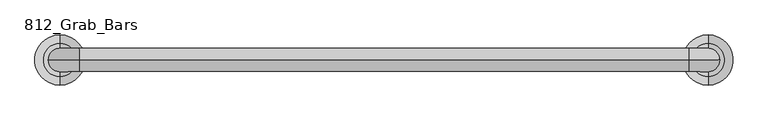
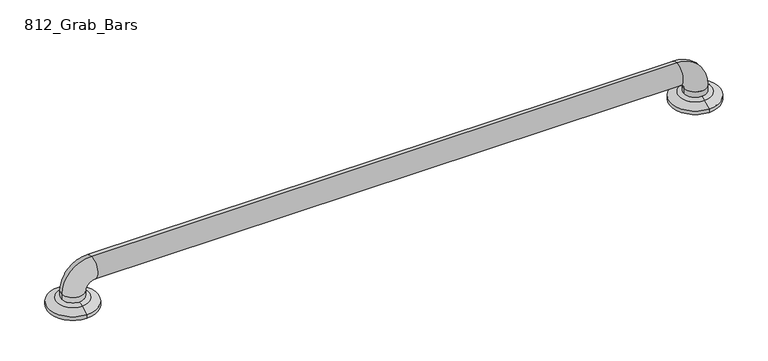
"""IFC4 building model written with IfcOpenShell, lengths in millimetres: proxy geometry, 812_Grab_Bars."""

import ifcopenshell
import ifcopenshell.guid

model = None  # the IFC model being written
_history = None  # IfcOwnerHistory: only IFC2X3 demands one
_inside = {}  # id of a spatial element -> (the spatial element, [elements in it])
_under = {}  # id of a project, library or spatial element -> (it, [spatial elements below it])
_declared = {}  # id of a project -> (the project, [libraries it declares])
_typed = {}  # id of a type object -> (the type object, [elements of that type])
_made_of = {}  # id of a material, layer set ... -> (it, [elements and type objects made of it])


def new_model(schema):
    """Start an empty IFC model of exactly this schema.

    Asked for "IFC4X3", IfcOpenShell would pick the latest addendum, in which some entities
    have other attributes; the version numbers below select the first issue.
    IFC2X3 requires an IfcOwnerHistory on every rooted entity: one is made here for all.
    """
    global model, _history
    if schema == "IFC4X3":
        model = ifcopenshell.file(schema_version=(4, 3, 0, 0))
    else:
        model = ifcopenshell.file(schema=schema)
    _inside.clear()
    _under.clear()
    _declared.clear()
    _typed.clear()
    _made_of.clear()
    _history = None
    if model.schema == "IFC2X3":
        org = make("IfcOrganization", Name="unknown")
        user = make(
            "IfcPersonAndOrganization",
            ThePerson=make("IfcPerson", FamilyName="unknown"),
            TheOrganization=org,
        )
        app = make(
            "IfcApplication",
            ApplicationDeveloper=org,
            Version="unknown",
            ApplicationFullName="unknown",
            ApplicationIdentifier="unknown",
        )
        _history = make(
            "IfcOwnerHistory",
            OwningUser=user,
            OwningApplication=app,
            ChangeAction="ADDED",
            CreationDate=0,
        )
    return model


def make(cls, **values):
    """One entity of the class cls with the attributes given. An attribute that is None is left unset."""
    return model.create_entity(
        cls, **{name: value for name, value in values.items() if value is not None}
    )


def rooted(cls, **values):
    """An entity with a GlobalId (a new one), such as an element, a storey or a relation."""
    return make(cls, GlobalId=ifcopenshell.guid.new(), OwnerHistory=_history, **values)


def si_unit(unit_type, name, prefix=None):
    """IfcSIUnit, for example si_unit("LENGTHUNIT", "METRE", prefix="MILLI")."""
    return make("IfcSIUnit", UnitType=unit_type, Prefix=prefix, Name=name)


def assignment(units):
    """IfcUnitAssignment: the units of a project."""
    return None if units is None else make("IfcUnitAssignment", Units=units)


def point(xyz):
    """IfcCartesianPoint."""
    return None if xyz is None else make("IfcCartesianPoint", Coordinates=xyz)


def direction(xyz):
    """IfcDirection."""
    return None if xyz is None else make("IfcDirection", DirectionRatios=xyz)


def frame(location, z_axis=None, x_axis=None):
    """IfcAxis2Placement3D, a coordinate frame: its origin and axes. An axis left out is left unset."""
    return make(
        "IfcAxis2Placement3D",
        Location=point(location),
        Axis=direction(z_axis),
        RefDirection=direction(x_axis),
    )


def origin():
    """The frame at (0, 0, 0) with its axes left unset."""
    return frame((0.0, 0.0, 0.0))


def place(relative_to, where):
    """IfcLocalPlacement: puts the frame where relative to a parent placement (None: the world)."""
    return make(
        "IfcLocalPlacement", PlacementRelTo=relative_to, RelativePlacement=where
    )


def context(
    kind, dimensions, precision=None, world=None, true_north=None, identifier=None
):
    """IfcGeometricRepresentationContext, for example the 3D "Model" context."""
    return make(
        "IfcGeometricRepresentationContext",
        ContextIdentifier=identifier,
        ContextType=kind,
        CoordinateSpaceDimension=dimensions,
        Precision=precision,
        WorldCoordinateSystem=world,
        TrueNorth=true_north,
    )


def project(units=None, contexts=None):
    """IfcProject with its units and contexts."""
    return rooted(
        "IfcProject",
        Name="project",
        RepresentationContexts=contexts,
        UnitsInContext=assignment(units),
    )


def spatial(cls, under=None, at=None, **own):
    """A site, building, storey or space (cls), placed at a placement, below another one or the project."""
    s = rooted(cls, ObjectPlacement=at, **own)
    if under is not None:
        _under.setdefault(under.id(), (under, []))[1].append(s)
    return s


def polyline(points):
    """IfcPolyline through the points."""
    return make("IfcPolyline", Points=[point(p) for p in points])


def circle_curve(where, radius):
    """IfcCircle in the frame where."""
    return make("IfcCircle", Position=where, Radius=radius)


def ellipse_curve(where, semi_axis1, semi_axis2):
    """IfcEllipse in the frame where."""
    return make(
        "IfcEllipse", Position=where, SemiAxis1=semi_axis1, SemiAxis2=semi_axis2
    )


def trimmed(basis, trim1, trim2, sense, master):
    """IfcTrimmedCurve: the piece of a basis curve between two trims."""
    return make(
        "IfcTrimmedCurve",
        BasisCurve=basis,
        Trim1=trim1,
        Trim2=trim2,
        SenseAgreement=sense,
        MasterRepresentation=master,
    )


def shape(context_of_items, identifier, shape_type, items):
    """IfcShapeRepresentation: the items that make up one representation, for example the "Body"."""
    return make(
        "IfcShapeRepresentation",
        ContextOfItems=context_of_items,
        RepresentationIdentifier=identifier,
        RepresentationType=shape_type,
        Items=items,
    )


def source(mapping_origin, context_of_items, identifier, shape_type, items):
    """IfcRepresentationMap: a shape defined once, which mapped items show again and again."""
    return make(
        "IfcRepresentationMap",
        MappingOrigin=mapping_origin,
        MappedRepresentation=shape(context_of_items, identifier, shape_type, items),
    )


def transform(
    local_origin,
    x_axis=None,
    y_axis=None,
    z_axis=None,
    scale=None,
    scale2=None,
    scale3=None,
    uniform=True,
):
    """IfcCartesianTransformationOperator3D, or its non-uniform kind. x_axis, y_axis, z_axis: its Axis1, 2, 3."""
    if uniform:
        return make(
            "IfcCartesianTransformationOperator3D",
            Axis1=direction(x_axis),
            Axis2=direction(y_axis),
            LocalOrigin=point(local_origin),
            Scale=scale,
            Axis3=direction(z_axis),
        )
    return make(
        "IfcCartesianTransformationOperator3DnonUniform",
        Axis1=direction(x_axis),
        Axis2=direction(y_axis),
        LocalOrigin=point(local_origin),
        Scale=scale,
        Axis3=direction(z_axis),
        Scale2=scale2,
        Scale3=scale3,
    )


def mapped(mapping_source, mapping_target):
    """IfcMappedItem: shows the shape of a source again, moved by a transform."""
    return make(
        "IfcMappedItem", MappingSource=mapping_source, MappingTarget=mapping_target
    )


def made_of(thing, what):
    """Note that an element or type object is made of a material, layer set ...; save() writes the relation."""
    if what is not None:
        _made_of.setdefault(what.id(), (what, []))[1].append(thing)
    return thing


def element(
    cls,
    number,
    at=None,
    inside=None,
    cuts=None,
    type_object=None,
    material=None,
    context=None,
    identifier="Body",
    shape_type=None,
    held_by="IfcProductDefinitionShape",
    body=None,
    shapes=None,
    **own,
):
    """One element of the class cls, such as IfcWall. Its Tag is "e" and its number.

    at: its placement. inside: the storey or other place that contains it. cuts: it is an
    opening in that element (IfcRelVoidsElement). A single representation is given by context,
    identifier, shape_type and body (its items); several are given by shapes. held_by: the class
    of the entity that holds the representations. save() writes the other relations.
    """
    e = rooted(cls, Tag="e%d" % number, ObjectPlacement=at, **own)
    if body is not None:
        shapes = [shape(context, identifier, shape_type, body)]
    if shapes is not None:
        e.Representation = make(held_by, Representations=shapes)
    if inside is not None:
        _inside.setdefault(inside.id(), (inside, []))[1].append(e)
    if cuts is not None:
        rooted(
            "IfcRelVoidsElement", RelatingBuildingElement=cuts, RelatedOpeningElement=e
        )
    if type_object is not None:
        _typed.setdefault(type_object.id(), (type_object, []))[1].append(e)
    return made_of(e, material)


def aggregate(whole, parts):
    """IfcRelAggregates: a whole, such as a stair, and the parts it consists of."""
    return rooted("IfcRelAggregates", RelatingObject=whole, RelatedObjects=parts)


def save(model, path):
    """Write the relations noted so far, then the file.

    IfcRelAggregates (storeys below a building ...), IfcRelContainedInSpatialStructure (elements
    in a storey), IfcRelDefinesByType, IfcRelAssociatesMaterial and IfcRelDeclares: one each for
    every whole, place, type object, material and project.
    """
    for whole, parts in _under.values():
        aggregate(whole, parts)
    for where, things in _inside.values():
        rooted(
            "IfcRelContainedInSpatialStructure",
            RelatedElements=things,
            RelatingStructure=where,
        )
    for kind, things in _typed.values():
        rooted("IfcRelDefinesByType", RelatedObjects=things, RelatingType=kind)
    for what, things in _made_of.values():
        rooted("IfcRelAssociatesMaterial", RelatedObjects=things, RelatingMaterial=what)
    for by, libraries in _declared.values():
        rooted("IfcRelDeclares", RelatingContext=by, RelatedDefinitions=libraries)
    model.write(path)


def plane_surface(at):
    """IfcPlane: the flat surface through the origin of the frame at, square to its z axis."""
    return make("IfcPlane", Position=at)


def cylinder_surface(at, radius):
    """IfcCylindricalSurface: all points at the distance radius from the z axis of the frame at."""
    return make("IfcCylindricalSurface", Position=at, Radius=radius)


def revolved_surface(curve, axis_point, axis_direction):
    """IfcSurfaceOfRevolution: the curve turned about the line through axis_point along axis_direction."""
    return make(
        "IfcSurfaceOfRevolution",
        SweptCurve=make("IfcArbitraryOpenProfileDef", ProfileType="CURVE", Curve=curve),
        AxisPosition=make("IfcAxis1Placement", Location=point(axis_point), Axis=direction(axis_direction)),
    )


def advanced_brep(points, edges, surfaces, faces):
    """IfcAdvancedBrep: a solid bounded by faces that lie on surfaces and meet in shared edges.

    An edge is (start, end): straight between two places in points (the first is 0);
    or (start, end, curve); or (start, end, curve, False) where it runs against its curve.
    A face is (place in surfaces, loops), or (place, loops, False) where it looks against
    its surface's normal. A loop lists edges by number (the first is 1), with a minus sign
    where the edge is run from its end to its start. The first loop is the outer one.
    """
    corners = [point(p) for p in points]
    vertices = [make("IfcVertexPoint", VertexGeometry=c) for c in corners]
    made = []
    for start, end, *more in edges:
        made.append(
            make(
                "IfcEdgeCurve",
                EdgeStart=vertices[start],
                EdgeEnd=vertices[end],
                EdgeGeometry=more[0] if more else make("IfcPolyline", Points=[corners[start], corners[end]]),
                SameSense=more[1] if len(more) > 1 else True,
            )
        )
    hull = []
    for where, loops, *sense in faces:
        bounds = []
        for j, loop in enumerate(loops):
            ring = [make("IfcOrientedEdge", EdgeElement=made[abs(k) - 1], Orientation=k > 0) for k in loop]
            bounds.append(
                make(
                    "IfcFaceOuterBound" if j == 0 else "IfcFaceBound",
                    Bound=make("IfcEdgeLoop", EdgeList=ring),
                    Orientation=True,
                )
            )
        hull.append(make("IfcAdvancedFace", Bounds=bounds, FaceSurface=surfaces[where], SameSense=sense[0] if sense else True))
    return make("IfcAdvancedBrep", Outer=make("IfcClosedShell", CfsFaces=hull))


def proxy_812_grab_bars_cd5c3015(model_context):
    return source(origin(), model_context, "Body", "AdvancedBrep", [
        advanced_brep(
        [(-477.8375, -564.1630987, 13.1934507), (-477.8375, -508.9869013, 13.1934507), (-477.8375, -495.3, 6.35), (-477.8375, -577.85, 6.35), (-477.8375, -555.625, 15.7178454), (-496.8875, -536.575, 15.7178454), (-477.8375, -517.525, 15.7178454), (-458.7875, -536.575, 15.7178454), (-477.8375, -577.85, 0.0), (-477.8375, -495.3, 0.0), (-477.8375, -517.525, 0.0), (-477.8375, -536.575, 0.0), (-477.8375, -555.625, 0.0), (-496.8875, -536.575, 25.4), (-458.7875, -536.575, 25.4), (-446.0875, -536.575, 76.2), (-446.0875, -536.575, 38.1), (557.2125, -536.575, 76.2), (557.2125, -536.575, 38.1), (608.0125, -536.575, 25.4), (569.9125, -536.575, 25.4), (588.9625, -577.85, 0.0), (588.9625, -495.3, 0.0), (608.0125, -536.575, 15.7178454), (588.9625, -517.525, 15.7178454), (569.9125, -536.575, 15.7178454), (588.9625, -555.625, 15.7178454), (588.9625, -564.1630987, 13.1934507), (588.9625, -508.9869013, 13.1934507), (588.9625, -495.3, 6.35), (588.9625, -577.85, 6.35)],
        [
            (0, 1, circle_curve(frame((-477.8375, -536.575, 13.1934507), z_axis=(0.0, 0.0, -1.0), x_axis=(0.0, 1.0, 0.0)), 27.5880987)),
            (1, 2),
            (2, 3, circle_curve(frame((-477.8375, -536.575, 6.35), z_axis=(0.0, 0.0, 1.0), x_axis=(0.0, 1.0, 0.0)), 41.275)),
            (3, 0),
            (1, 0, circle_curve(frame((-477.8375, -536.575, 13.1934507), z_axis=(0.0, 0.0, -1.0), x_axis=(0.0, 1.0, 0.0)), 27.5880987)),
            (3, 2, circle_curve(frame((-477.8375, -536.575, 6.35), z_axis=(0.0, 0.0, 1.0), x_axis=(0.0, 1.0, 0.0)), 41.275)),
            (0, 4, circle_curve(frame((-477.8375, -552.8038734, -9.525), z_axis=(-1.0, 0.0, 0.0), x_axis=(0.0, 0.0, -1.0)), 25.4)),
            (4, 5, circle_curve(frame((-477.8375, -536.575, 15.7178454), z_axis=(0.0, 0.0, -1.0), x_axis=(0.0, 1.0, 0.0)), 19.05)),
            (5, 6, circle_curve(frame((-477.8375, -536.575, 15.7178454), z_axis=(0.0, 0.0, -1.0), x_axis=(0.0, 1.0, 0.0)), 19.05)),
            (6, 1, circle_curve(frame((-477.8375, -520.3461266, -9.525), z_axis=(-1.0, 0.0, 0.0), x_axis=(0.0, 0.0, -1.0)), 25.4)),
            (6, 7, circle_curve(frame((-477.8375, -536.575, 15.7178454), z_axis=(0.0, 0.0, -1.0), x_axis=(0.0, 1.0, 0.0)), 19.05)),
            (7, 4, circle_curve(frame((-477.8375, -536.575, 15.7178454), z_axis=(0.0, 0.0, -1.0), x_axis=(0.0, 1.0, 0.0)), 19.05)),
            (8, 9, circle_curve(frame((-477.8375, -536.575, 0.0), z_axis=(0.0, 0.0, -1.0), x_axis=(0.0, 1.0, 0.0)), 41.275)),
            (9, 10),
            (10, 11),
            (11, 12),
            (12, 8),
            (9, 8, circle_curve(frame((-477.8375, -536.575, 0.0), z_axis=(0.0, 0.0, -1.0), x_axis=(0.0, 1.0, 0.0)), 41.275)),
            (2, 9),
            (8, 3),
            (13, 14, circle_curve(frame((-477.8375, -536.575, 25.4), z_axis=(0.0, 0.0, -1.0), x_axis=(1.0, 0.0, 0.0)), 19.05)),
            (14, 7),
            (5, 13),
            (14, 13, circle_curve(frame((-477.8375, -536.575, 25.4), z_axis=(0.0, 0.0, -1.0), x_axis=(1.0, 0.0, 0.0)), 19.05)),
            (13, 15, circle_curve(frame((-446.0875, -536.575, 25.4), z_axis=(0.0, 1.0, 0.0), x_axis=(-1.0, 0.0, 0.0)), 50.8)),
            (15, 16, circle_curve(frame((-446.0875, -536.575, 57.15), z_axis=(-1.0, 0.0, 0.0), x_axis=(0.0, 0.0, -1.0)), 19.05)),
            (16, 14, circle_curve(frame((-446.0875, -536.575, 25.4), z_axis=(0.0, -1.0, 0.0), x_axis=(-1.0, 0.0, 0.0)), 12.7)),
            (16, 15, circle_curve(frame((-446.0875, -536.575, 57.15), z_axis=(-1.0, 0.0, 0.0), x_axis=(0.0, 0.0, -1.0)), 19.05)),
            (15, 17),
            (17, 18, circle_curve(frame((557.2125, -536.575, 57.15), z_axis=(-1.0, 0.0, 0.0), x_axis=(0.0, 0.0, -1.0)), 19.05)),
            (18, 16),
            (18, 17, circle_curve(frame((557.2125, -536.575, 57.15), z_axis=(-1.0, 0.0, 0.0), x_axis=(0.0, 0.0, -1.0)), 19.05)),
            (17, 19, circle_curve(frame((557.2125, -536.575, 25.4), z_axis=(0.0, 1.0, 0.0), x_axis=(0.0, 0.0, 1.0)), 50.8)),
            (19, 20, circle_curve(frame((588.9625, -536.575, 25.4), z_axis=(0.0, 0.0, 1.0), x_axis=(-1.0, 0.0, 0.0)), 19.05)),
            (20, 18, circle_curve(frame((557.2125, -536.575, 25.4), z_axis=(0.0, -1.0, 0.0), x_axis=(0.0, 0.0, 1.0)), 12.7)),
            (20, 19, circle_curve(frame((588.9625, -536.575, 25.4), z_axis=(0.0, 0.0, 1.0), x_axis=(-1.0, 0.0, 0.0)), 19.05)),
            (21, 22, circle_curve(frame((588.9625, -536.575, 0.0), z_axis=(0.0, 0.0, -1.0), x_axis=(0.0, 1.0, 0.0)), 41.275)),
            (22, 21, circle_curve(frame((588.9625, -536.575, 0.0), z_axis=(0.0, 0.0, -1.0), x_axis=(0.0, 1.0, 0.0)), 41.275)),
            (19, 23),
            (23, 24, circle_curve(frame((588.9625, -536.575, 15.7178454), z_axis=(0.0, 0.0, 1.0), x_axis=(-1.0, 0.0, 0.0)), 19.05)),
            (24, 25, circle_curve(frame((588.9625, -536.575, 15.7178454), z_axis=(0.0, 0.0, 1.0), x_axis=(-1.0, 0.0, 0.0)), 19.05)),
            (25, 20),
            (25, 26, circle_curve(frame((588.9625, -536.575, 15.7178454), z_axis=(0.0, 0.0, 1.0), x_axis=(-1.0, 0.0, 0.0)), 19.05)),
            (26, 23, circle_curve(frame((588.9625, -536.575, 15.7178454), z_axis=(0.0, 0.0, 1.0), x_axis=(-1.0, 0.0, 0.0)), 19.05)),
            (27, 28, circle_curve(frame((588.9625, -536.575, 13.1934507), z_axis=(0.0, 0.0, -1.0), x_axis=(0.0, 1.0, 0.0)), 27.5880987)),
            (28, 29),
            (29, 30, circle_curve(frame((588.9625, -536.575, 6.35), z_axis=(0.0, 0.0, 1.0), x_axis=(0.0, 1.0, 0.0)), 41.275)),
            (30, 27),
            (28, 27, circle_curve(frame((588.9625, -536.575, 13.1934507), z_axis=(0.0, 0.0, -1.0), x_axis=(0.0, 1.0, 0.0)), 27.5880987)),
            (30, 29, circle_curve(frame((588.9625, -536.575, 6.35), z_axis=(0.0, 0.0, 1.0), x_axis=(0.0, 1.0, 0.0)), 41.275)),
            (27, 26, circle_curve(frame((588.9625, -552.8038734, -9.525), z_axis=(-1.0, 0.0, 0.0), x_axis=(0.0, 0.0, -1.0)), 25.4)),
            (24, 28, circle_curve(frame((588.9625, -520.3461266, -9.525), z_axis=(-1.0, 0.0, 0.0), x_axis=(0.0, 0.0, -1.0)), 25.4)),
            (29, 22),
            (21, 30),
        ],
        [
            revolved_surface(polyline([(-477.8375, -495.3, 6.35), (-477.8375, -508.9869013, 13.1934507)]), (-477.8375, -536.575, 31.75), (0.0, 0.0, 1.0)),
            revolved_surface(trimmed(ellipse_curve(frame((-477.8375, -520.3461266, -9.525), z_axis=(1.0, 0.0, 0.0), x_axis=(0.0, 0.0, -1.0)), 25.4, 25.4), [point((-477.8375, -508.9869013, 13.1934507))], [point((-477.8375, -520.3461266, 15.875))], True, "CARTESIAN"), (-477.8375, -536.575, 31.75), (0.0, 0.0, 1.0)),
            plane_surface(frame((-477.8375, -536.575, 0.0), z_axis=(0.0, 0.0, -1.0), x_axis=(0.0, 1.0, 0.0))),
            cylinder_surface(frame((-477.8375, -536.575, 31.75), z_axis=(0.0, 0.0, 1.0), x_axis=(0.0, 1.0, 0.0)), 41.275),
            cylinder_surface(frame((-477.8375, -536.575, 0.0), z_axis=(0.0, 0.0, -1.0), x_axis=(1.0, 0.0, 0.0)), 19.05),
            revolved_surface(trimmed(ellipse_curve(frame((-477.8375, -536.575, 25.4), z_axis=(0.0, 0.0, -1.0), x_axis=(1.0, 0.0, 0.0)), 19.05, 19.05), [point((-496.8875, -536.575, 25.4))], [point((-458.7875, -536.575, 25.4))], True, "CARTESIAN"), (-446.0875, -536.575, 25.4), (0.0, 1.0, 0.0)),
            revolved_surface(trimmed(ellipse_curve(frame((-477.8375, -536.575, 25.4), z_axis=(0.0, 0.0, -1.0), x_axis=(1.0, 0.0, 0.0)), 19.05, 19.05), [point((-458.7875, -536.575, 25.4))], [point((-496.8875, -536.575, 25.4))], True, "CARTESIAN"), (-446.0875, -536.575, 25.4), (0.0, 1.0, 0.0)),
            cylinder_surface(frame((-446.0875, -536.575, 57.15), z_axis=(-1.0, 0.0, 0.0), x_axis=(0.0, 0.0, -1.0)), 19.05),
            revolved_surface(trimmed(ellipse_curve(frame((557.2125, -536.575, 57.15), z_axis=(-1.0, 0.0, 0.0), x_axis=(0.0, 0.0, -1.0)), 19.05, 19.05), [point((557.2125, -536.575, 76.2))], [point((557.2125, -536.575, 38.1))], True, "CARTESIAN"), (557.2125, -536.575, 25.4), (0.0, 1.0, 0.0)),
            revolved_surface(trimmed(ellipse_curve(frame((557.2125, -536.575, 57.15), z_axis=(-1.0, 0.0, 0.0), x_axis=(0.0, 0.0, -1.0)), 19.05, 19.05), [point((557.2125, -536.575, 38.1))], [point((557.2125, -536.575, 76.2))], True, "CARTESIAN"), (557.2125, -536.575, 25.4), (0.0, 1.0, 0.0)),
            plane_surface(frame((588.9625, -536.575, 0.0), z_axis=(0.0, 0.0, -1.0), x_axis=(0.0, 1.0, 0.0))),
            cylinder_surface(frame((588.9625, -536.575, 25.4), z_axis=(0.0, 0.0, 1.0), x_axis=(-1.0, 0.0, 0.0)), 19.05),
            revolved_surface(polyline([(588.9625, -495.3, 6.35), (588.9625, -508.9869013, 13.1934507)]), (588.9625, -536.575, -29.0642853), (0.0, 0.0, 1.0)),
            revolved_surface(trimmed(ellipse_curve(frame((588.9625, -520.3461266, -9.525), z_axis=(1.0, 0.0, 0.0), x_axis=(0.0, 0.0, -1.0)), 25.4, 25.4), [point((588.9625, -508.9869013, 13.1934507))], [point((588.9625, -520.3461266, 15.875))], True, "CARTESIAN"), (588.9625, -536.575, -29.0642853), (0.0, 0.0, 1.0)),
            cylinder_surface(frame((588.9625, -536.575, -29.0642853), z_axis=(0.0, 0.0, 1.0), x_axis=(0.0, 1.0, 0.0)), 41.275),
        ],
        [
            (0, [[1, 2, 3, 4]]),
            (0, [[-2, 5, -4, 6]]),
            (1, [[-1, 7, 8, 9, 10]]),
            (1, [[-5, -10, 11, 12, -7]]),
            (2, [[13, 14, 15, 16, 17]]),
            (2, [[18, -17, -16, -15, -14]]),
            (3, [[-3, 19, -13, 20]]),
            (3, [[-6, -20, -18, -19]]),
            (4, [[21, 22, -11, -9, 23]]),
            (4, [[24, -23, -8, -12, -22]]),
            (5, [[-21, 25, 26, 27]]),
            (6, [[-24, -27, 28, -25]]),
            (7, [[-26, 29, 30, 31]]),
            (7, [[-28, -31, 32, -29]]),
            (8, [[-30, 33, 34, 35]]),
            (9, [[-32, -35, 36, -33]]),
            (10, [[37, 38]]),
            (11, [[-34, 39, 40, 41, 42]]),
            (11, [[-36, -42, 43, 44, -39]]),
            (12, [[45, 46, 47, 48]]),
            (12, [[-46, 49, -48, 50]]),
            (13, [[-45, 51, -43, -41, 52]]),
            (13, [[-49, -52, -40, -44, -51]]),
            (14, [[-47, 53, -37, 54]]),
            (14, [[-50, -54, -38, -53]]),
        ],
    ),
    ])


if __name__ == "__main__":
    model = new_model("IFC4")
    model_context = context("Model", 3, world=origin())
    ifc_project = project(units=[si_unit("LENGTHUNIT", "METRE", prefix="MILLI")], contexts=[model_context])
    site = spatial("IfcSite", under=ifc_project)
    building = spatial("IfcBuilding", under=site)
    placement = place(None, origin())
    proxy_812_grab_bars_shape = proxy_812_grab_bars_cd5c3015(model_context)
    element("IfcBuildingElementProxy", 1, Name="812_Grab_Bars", ObjectType="812_Grab_Bars", at=placement, inside=building, context=model_context, shape_type="MappedRepresentation", body=[
        mapped(proxy_812_grab_bars_shape, transform((0.0, 0.0, 0.0), x_axis=(1.0, 0.0, 0.0), y_axis=(0.0, 1.0, 0.0), z_axis=(0.0, 0.0, 1.0))),
    ])
    save(model, "model.ifc")
